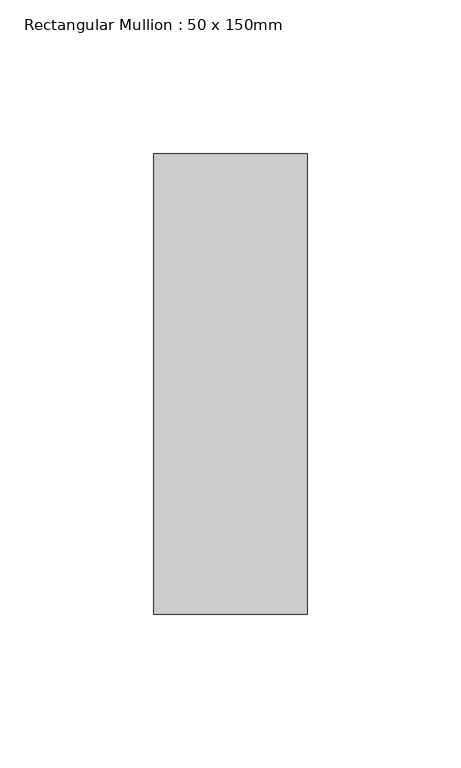
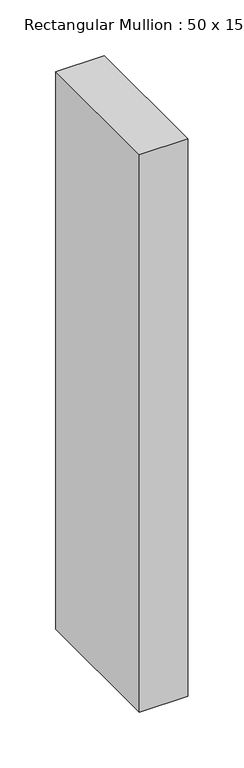
"""IFC4 building model written with IfcOpenShell, lengths in millimetres: member geometry, Rectangular Mullion : 50 x 150mm."""

from ifc_helpers import new_model, si_unit, frame, origin, place, context, project, spatial, polyline, outline, extrude, source, transform, mapped, element, save


def rectangular_mullion_50_x_150mm_11f8c00f(model_context):
    return source(origin(), model_context, "Body", "SweptSolid", [
        extrude(outline(polyline([(0.0, 75.0), (0.0, -75.0), (-50.0, -75.0), (-50.0, 75.0), (0.0, 75.0)])), frame((0.0, 0.0, -609.6), z_axis=(0.0, 0.0, 1.0), x_axis=(1.0, 0.0, 0.0)), (0.0, 0.0, 1.0), 609.6),
    ])


if __name__ == "__main__":
    model = new_model("IFC4")
    model_context = context("Model", 3, world=origin())
    ifc_project = project(units=[si_unit("LENGTHUNIT", "METRE", prefix="MILLI")], contexts=[model_context])
    site = spatial("IfcSite", under=ifc_project)
    building = spatial("IfcBuilding", under=site)
    placement = place(None, origin())
    rectangular_mullion_50_x_150mm_shape = rectangular_mullion_50_x_150mm_11f8c00f(model_context)
    element("IfcMember", 1, ObjectType="Rectangular Mullion : 50 x 150mm", at=placement, inside=building, context=model_context, shape_type="MappedRepresentation", body=[
        mapped(rectangular_mullion_50_x_150mm_shape, transform((0.0, 0.0, 0.0), x_axis=(1.0, 0.0, 0.0), y_axis=(0.0, 1.0, 0.0), z_axis=(0.0, 0.0, 1.0))),
    ])
    save(model, "model.ifc")
